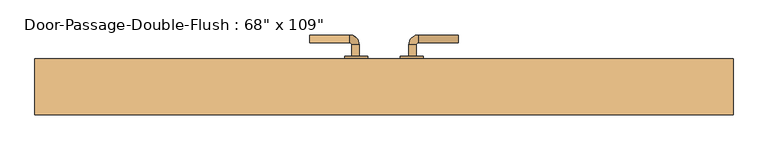
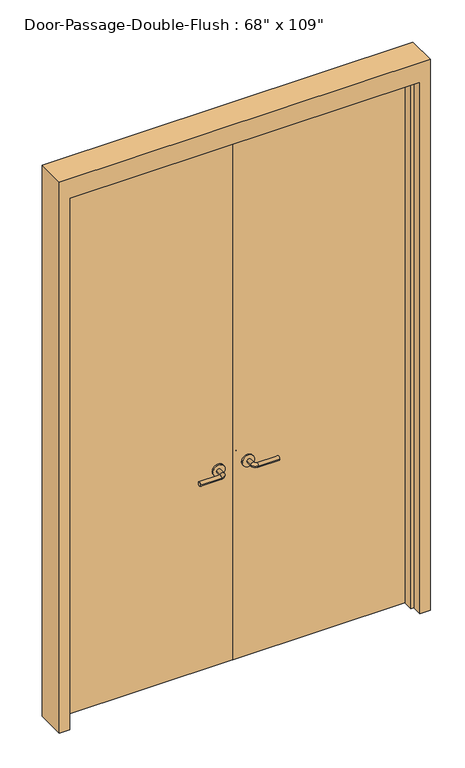
"""IFC4 building model written with IfcOpenShell, lengths in millimetres: door geometry."""

from ifc_helpers import new_model, si_unit, point, frame, frame_2d, origin, origin_with_axes, place, context, project, spatial, polyline, circle_curve, ellipse_curve, trimmed, segment, composite_curve, outline, extrude, faceted_brep, source, transform, mapped, element, save
from ifc_brep_helpers import plane_surface, cylinder_surface, revolved_surface, advanced_brep


def door_41b5bb17(model_context):
    return source(origin(), model_context, "Body", "SolidModel", [
        advanced_brep(
        [(-65.009375, 23.75, 1016.0), (-85.009375, 23.75, 1016.0), (-65.009375, -6.25, 1016.0), (-85.009375, -6.25, 1016.0), (-90.009375, -11.25, 1016.0), (-90.009375, -31.25, 1016.0), (-195.009375, -31.25, 1016.0), (-195.009375, -11.25, 1016.0)],
        [
            (0, 1, circle_curve(frame((-75.009375, 23.75, 1016.0), z_axis=(0.0, 1.0, 0.0), x_axis=(-1.0, 0.0, 0.0)), 10.0)),
            (1, 0, circle_curve(frame((-75.009375, 23.75, 1016.0), z_axis=(0.0, 1.0, 0.0), x_axis=(-1.0, 0.0, 0.0)), 10.0)),
            (0, 2),
            (2, 3, circle_curve(frame((-75.009375, -6.25, 1016.0), z_axis=(0.0, 1.0, 0.0), x_axis=(-1.0, 0.0, 0.0)), 10.0)),
            (3, 1),
            (3, 2, circle_curve(frame((-75.009375, -6.25, 1016.0), z_axis=(0.0, 1.0, 0.0), x_axis=(-1.0, 0.0, 0.0)), 10.0)),
            (4, 3, circle_curve(frame((-90.009375, -6.25, 1016.0), z_axis=(0.0, 0.0, 1.0), x_axis=(1.0, 0.0, 0.0)), 5.0)),
            (2, 5, circle_curve(frame((-90.009375, -6.25, 1016.0), z_axis=(0.0, 0.0, -1.0), x_axis=(1.0, 0.0, 0.0)), 25.0)),
            (5, 4, circle_curve(frame((-90.009375, -21.25, 1016.0), z_axis=(1.0, 0.0, 0.0), x_axis=(0.0, 1.0, 0.0)), 10.0)),
            (4, 5, circle_curve(frame((-90.009375, -21.25, 1016.0), z_axis=(1.0, 0.0, 0.0), x_axis=(0.0, 1.0, 0.0)), 10.0)),
            (6, 7, circle_curve(frame((-195.009375, -21.25, 1016.0), z_axis=(-1.0, 0.0, 0.0), x_axis=(0.0, 1.0, 0.0)), 10.0)),
            (7, 6, circle_curve(frame((-195.009375, -21.25, 1016.0), z_axis=(-1.0, 0.0, 0.0), x_axis=(0.0, 1.0, 0.0)), 10.0)),
            (5, 6),
            (7, 4),
        ],
        [
            plane_surface(frame((-75.009375, 23.75, 1016.0), z_axis=(0.0, 1.0, 0.0), x_axis=(0.0, 0.0, 1.0))),
            cylinder_surface(frame((-75.009375, 23.75, 1016.0), z_axis=(0.0, 1.0, 0.0), x_axis=(-1.0, 0.0, 0.0)), 10.0),
            revolved_surface(trimmed(ellipse_curve(frame((-75.009375, -6.25, 1016.0), z_axis=(0.0, 1.0, 0.0), x_axis=(-1.0, 0.0, 0.0)), 10.0, 10.0), [point((-65.009375, -6.25, 1016.0))], [point((-85.009375, -6.25, 1016.0))], True, "CARTESIAN"), (-90.009375, -6.25, 1016.0), (0.0, 0.0, -1.0)),
            revolved_surface(trimmed(ellipse_curve(frame((-75.009375, -6.25, 1016.0), z_axis=(0.0, 1.0, 0.0), x_axis=(-1.0, 0.0, 0.0)), 10.0, 10.0), [point((-85.009375, -6.25, 1016.0))], [point((-65.009375, -6.25, 1016.0))], True, "CARTESIAN"), (-90.009375, -6.25, 1016.0), (0.0, 0.0, -1.0)),
            plane_surface(frame((-195.009375, -21.25, 1016.0), z_axis=(-1.0, 0.0, 0.0), x_axis=(0.0, 0.0, 1.0))),
            cylinder_surface(frame((-90.009375, -21.25, 1016.0), z_axis=(1.0, 0.0, 0.0), x_axis=(0.0, 1.0, 0.0)), 10.0),
        ],
        [
            (0, [[1, 2]]),
            (1, [[-1, 3, 4, 5]]),
            (1, [[-2, -5, 6, -3]]),
            (2, [[7, -4, 8, 9]]),
            (3, [[-8, -6, -7, 10]]),
            (4, [[11, 12]]),
            (5, [[-9, 13, -12, 14]]),
            (5, [[-10, -14, -11, -13]]),
        ],
    ),
        extrude(outline(composite_curve([segment(trimmed(circle_curve(frame_2d((1016.0, -72.509375)), 30.0), [point((1016.0, -42.509375))], [point((1016.0, -102.509375))], False, "CARTESIAN"), True, "CONTINUOUS"), segment(trimmed(circle_curve(frame_2d((1016.0, -72.509375)), 30.0), [point((1016.0, -102.509375))], [point((1016.0, -42.509375))], False, "CARTESIAN"), True, "CONTINUOUS")], self_intersect=False)), frame((0.0, 23.75, 0.0), z_axis=(0.0, 1.0, 0.0), x_axis=(0.0, 0.0, 1.0)), (0.0, 0.0, 1.0), 8.0),
        advanced_brep(
        [(-65.009375, 84.2, 1016.0), (-85.009375, 84.2, 1016.0), (-85.009375, 114.2, 1016.0), (-65.009375, 114.2, 1016.0), (-90.009375, 119.2, 1016.0), (-90.009375, 139.2, 1016.0), (-195.009375, 139.2, 1016.0), (-195.009375, 119.2, 1016.0)],
        [
            (0, 1, circle_curve(frame((-75.009375, 84.2, 1016.0), z_axis=(0.0, -1.0, 0.0), x_axis=(-1.0, 0.0, 0.0)), 10.0)),
            (1, 0, circle_curve(frame((-75.009375, 84.2, 1016.0), z_axis=(0.0, -1.0, 0.0), x_axis=(-1.0, 0.0, 0.0)), 10.0)),
            (1, 2),
            (2, 3, circle_curve(frame((-75.009375, 114.2, 1016.0), z_axis=(0.0, -1.0, 0.0), x_axis=(-1.0, 0.0, 0.0)), 10.0)),
            (3, 0),
            (3, 2, circle_curve(frame((-75.009375, 114.2, 1016.0), z_axis=(0.0, -1.0, 0.0), x_axis=(-1.0, 0.0, 0.0)), 10.0)),
            (4, 5, circle_curve(frame((-90.009375, 129.2, 1016.0), z_axis=(1.0, 0.0, 0.0), x_axis=(0.0, -1.0, 0.0)), 10.0)),
            (5, 3, circle_curve(frame((-90.009375, 114.2, 1016.0), z_axis=(0.0, 0.0, -1.0), x_axis=(1.0, 0.0, 0.0)), 25.0)),
            (2, 4, circle_curve(frame((-90.009375, 114.2, 1016.0), z_axis=(0.0, 0.0, 1.0), x_axis=(1.0, 0.0, 0.0)), 5.0)),
            (5, 4, circle_curve(frame((-90.009375, 129.2, 1016.0), z_axis=(1.0, 0.0, 0.0), x_axis=(0.0, -1.0, 0.0)), 10.0)),
            (6, 7, circle_curve(frame((-195.009375, 129.2, 1016.0), z_axis=(-1.0, 0.0, 0.0), x_axis=(0.0, -1.0, 0.0)), 10.0)),
            (7, 6, circle_curve(frame((-195.009375, 129.2, 1016.0), z_axis=(-1.0, 0.0, 0.0), x_axis=(0.0, -1.0, 0.0)), 10.0)),
            (4, 7),
            (6, 5),
        ],
        [
            plane_surface(frame((-75.009375, 84.2, 1016.0), z_axis=(0.0, -1.0, 0.0), x_axis=(0.0, 0.0, 1.0))),
            cylinder_surface(frame((-75.009375, 84.2, 1016.0), z_axis=(0.0, -1.0, 0.0), x_axis=(-1.0, 0.0, 0.0)), 10.0),
            revolved_surface(trimmed(ellipse_curve(frame((-75.009375, 114.2, 1016.0), z_axis=(0.0, 1.0, 0.0), x_axis=(-1.0, 0.0, 0.0)), 10.0, 10.0), [point((-65.009375, 114.2, 1016.0))], [point((-85.009375, 114.2, 1016.0))], True, "CARTESIAN"), (-90.009375, 114.2, 1016.0), (0.0, 0.0, -1.0)),
            revolved_surface(trimmed(ellipse_curve(frame((-75.009375, 114.2, 1016.0), z_axis=(0.0, 1.0, 0.0), x_axis=(-1.0, 0.0, 0.0)), 10.0, 10.0), [point((-85.009375, 114.2, 1016.0))], [point((-65.009375, 114.2, 1016.0))], True, "CARTESIAN"), (-90.009375, 114.2, 1016.0), (0.0, 0.0, -1.0)),
            plane_surface(frame((-195.009375, 129.2, 1016.0), z_axis=(-1.0, 0.0, 0.0), x_axis=(0.0, 0.0, 1.0))),
            cylinder_surface(frame((-90.009375, 129.2, 1016.0), z_axis=(1.0, 0.0, 0.0), x_axis=(0.0, -1.0, 0.0)), 10.0),
        ],
        [
            (0, [[1, 2]]),
            (1, [[3, 4, 5, -2]]),
            (1, [[-5, 6, -3, -1]]),
            (2, [[7, 8, -4, 9]]),
            (3, [[10, -9, -6, -8]]),
            (4, [[11, 12]]),
            (5, [[13, -11, 14, -7]]),
            (5, [[-14, -12, -13, -10]]),
        ],
    ),
        extrude(outline(composite_curve([segment(trimmed(circle_curve(frame_2d((1016.0, -72.509375)), 30.0), [point((1016.0, -42.509375))], [point((1016.0, -102.509375))], False, "CARTESIAN"), True, "CONTINUOUS"), segment(trimmed(circle_curve(frame_2d((1016.0, -72.509375)), 30.0), [point((1016.0, -102.509375))], [point((1016.0, -42.509375))], False, "CARTESIAN"), True, "CONTINUOUS")], self_intersect=False)), frame((0.0, 76.2, 0.0), z_axis=(0.0, 1.0, 0.0), x_axis=(0.0, 0.0, 1.0)), (0.0, 0.0, 1.0), 8.0),
        advanced_brep(
        [(65.009375, 23.75, 1016.0), (85.009375, 23.75, 1016.0), (85.009375, -6.25, 1016.0), (65.009375, -6.25, 1016.0), (90.009375, -11.25, 1016.0), (90.009375, -31.25, 1016.0), (195.009375, -31.25, 1016.0), (195.009375, -11.25, 1016.0)],
        [
            (0, 1, circle_curve(frame((75.009375, 23.75, 1016.0), z_axis=(0.0, 1.0, 0.0), x_axis=(1.0, 0.0, 0.0)), 10.0)),
            (1, 0, circle_curve(frame((75.009375, 23.75, 1016.0), z_axis=(0.0, 1.0, 0.0), x_axis=(1.0, 0.0, 0.0)), 10.0)),
            (1, 2),
            (2, 3, circle_curve(frame((75.009375, -6.25, 1016.0), z_axis=(0.0, 1.0, 0.0), x_axis=(1.0, 0.0, 0.0)), 10.0)),
            (3, 0),
            (3, 2, circle_curve(frame((75.009375, -6.25, 1016.0), z_axis=(0.0, 1.0, 0.0), x_axis=(1.0, 0.0, 0.0)), 10.0)),
            (4, 5, circle_curve(frame((90.009375, -21.25, 1016.0), z_axis=(-1.0, 0.0, 0.0), x_axis=(0.0, 1.0, 0.0)), 10.0)),
            (5, 3, circle_curve(frame((90.009375, -6.25, 1016.0), z_axis=(0.0, 0.0, -1.0), x_axis=(-1.0, 0.0, 0.0)), 25.0)),
            (2, 4, circle_curve(frame((90.009375, -6.25, 1016.0), z_axis=(0.0, 0.0, 1.0), x_axis=(-1.0, 0.0, 0.0)), 5.0)),
            (5, 4, circle_curve(frame((90.009375, -21.25, 1016.0), z_axis=(-1.0, 0.0, 0.0), x_axis=(0.0, 1.0, 0.0)), 10.0)),
            (6, 7, circle_curve(frame((195.009375, -21.25, 1016.0), z_axis=(1.0, 0.0, 0.0), x_axis=(0.0, 1.0, 0.0)), 10.0)),
            (7, 6, circle_curve(frame((195.009375, -21.25, 1016.0), z_axis=(1.0, 0.0, 0.0), x_axis=(0.0, 1.0, 0.0)), 10.0)),
            (4, 7),
            (6, 5),
        ],
        [
            plane_surface(frame((75.009375, 23.75, 1016.0), z_axis=(0.0, 1.0, 0.0), x_axis=(0.0, 0.0, 1.0))),
            cylinder_surface(frame((75.009375, 23.75, 1016.0), z_axis=(0.0, 1.0, 0.0), x_axis=(1.0, 0.0, 0.0)), 10.0),
            revolved_surface(trimmed(ellipse_curve(frame((75.009375, -6.25, 1016.0), z_axis=(0.0, -1.0, 0.0), x_axis=(1.0, 0.0, 0.0)), 10.0, 10.0), [point((65.009375, -6.25, 1016.0))], [point((85.009375, -6.25, 1016.0))], True, "CARTESIAN"), (90.009375, -6.25, 1016.0), (0.0, 0.0, -1.0)),
            revolved_surface(trimmed(ellipse_curve(frame((75.009375, -6.25, 1016.0), z_axis=(0.0, -1.0, 0.0), x_axis=(1.0, 0.0, 0.0)), 10.0, 10.0), [point((85.009375, -6.25, 1016.0))], [point((65.009375, -6.25, 1016.0))], True, "CARTESIAN"), (90.009375, -6.25, 1016.0), (0.0, 0.0, -1.0)),
            plane_surface(frame((195.009375, -21.25, 1016.0), z_axis=(1.0, 0.0, 0.0), x_axis=(0.0, 0.0, 1.0))),
            cylinder_surface(frame((90.009375, -21.25, 1016.0), z_axis=(-1.0, 0.0, 0.0), x_axis=(0.0, 1.0, 0.0)), 10.0),
        ],
        [
            (0, [[1, 2]]),
            (1, [[3, 4, 5, -2]]),
            (1, [[-5, 6, -3, -1]]),
            (2, [[7, 8, -4, 9]]),
            (3, [[10, -9, -6, -8]]),
            (4, [[11, 12]]),
            (5, [[13, -11, 14, -7]]),
            (5, [[-14, -12, -13, -10]]),
        ],
    ),
        extrude(outline(composite_curve([segment(trimmed(circle_curve(frame_2d((1016.0, 72.509375)), 30.0), [point((1016.0, 42.509375))], [point((1016.0, 102.509375))], False, "CARTESIAN"), True, "CONTINUOUS"), segment(trimmed(circle_curve(frame_2d((1016.0, 72.509375)), 30.0), [point((1016.0, 102.509375))], [point((1016.0, 42.509375))], False, "CARTESIAN"), True, "CONTINUOUS")], self_intersect=False)), frame((0.0, 23.75, 0.0), z_axis=(0.0, 1.0, 0.0), x_axis=(0.0, 0.0, 1.0)), (0.0, 0.0, 1.0), 8.0),
        advanced_brep(
        [(65.009375, 84.2, 1016.0), (85.009375, 84.2, 1016.0), (65.009375, 114.2, 1016.0), (85.009375, 114.2, 1016.0), (90.009375, 119.2, 1016.0), (90.009375, 139.2, 1016.0), (195.009375, 139.2, 1016.0), (195.009375, 119.2, 1016.0)],
        [
            (0, 1, circle_curve(frame((75.009375, 84.2, 1016.0), z_axis=(0.0, -1.0, 0.0), x_axis=(1.0, 0.0, 0.0)), 10.0)),
            (1, 0, circle_curve(frame((75.009375, 84.2, 1016.0), z_axis=(0.0, -1.0, 0.0), x_axis=(1.0, 0.0, 0.0)), 10.0)),
            (0, 2),
            (2, 3, circle_curve(frame((75.009375, 114.2, 1016.0), z_axis=(0.0, -1.0, 0.0), x_axis=(1.0, 0.0, 0.0)), 10.0)),
            (3, 1),
            (3, 2, circle_curve(frame((75.009375, 114.2, 1016.0), z_axis=(0.0, -1.0, 0.0), x_axis=(1.0, 0.0, 0.0)), 10.0)),
            (4, 3, circle_curve(frame((90.009375, 114.2, 1016.0), z_axis=(0.0, 0.0, 1.0), x_axis=(-1.0, 0.0, 0.0)), 5.0)),
            (2, 5, circle_curve(frame((90.009375, 114.2, 1016.0), z_axis=(0.0, 0.0, -1.0), x_axis=(-1.0, 0.0, 0.0)), 25.0)),
            (5, 4, circle_curve(frame((90.009375, 129.2, 1016.0), z_axis=(-1.0, 0.0, 0.0), x_axis=(0.0, -1.0, 0.0)), 10.0)),
            (4, 5, circle_curve(frame((90.009375, 129.2, 1016.0), z_axis=(-1.0, 0.0, 0.0), x_axis=(0.0, -1.0, 0.0)), 10.0)),
            (6, 7, circle_curve(frame((195.009375, 129.2, 1016.0), z_axis=(1.0, 0.0, 0.0), x_axis=(0.0, -1.0, 0.0)), 10.0)),
            (7, 6, circle_curve(frame((195.009375, 129.2, 1016.0), z_axis=(1.0, 0.0, 0.0), x_axis=(0.0, -1.0, 0.0)), 10.0)),
            (5, 6),
            (7, 4),
        ],
        [
            plane_surface(frame((75.009375, 84.2, 1016.0), z_axis=(0.0, -1.0, 0.0), x_axis=(0.0, 0.0, 1.0))),
            cylinder_surface(frame((75.009375, 84.2, 1016.0), z_axis=(0.0, -1.0, 0.0), x_axis=(1.0, 0.0, 0.0)), 10.0),
            revolved_surface(trimmed(ellipse_curve(frame((75.009375, 114.2, 1016.0), z_axis=(0.0, -1.0, 0.0), x_axis=(1.0, 0.0, 0.0)), 10.0, 10.0), [point((65.009375, 114.2, 1016.0))], [point((85.009375, 114.2, 1016.0))], True, "CARTESIAN"), (90.009375, 114.2, 1016.0), (0.0, 0.0, -1.0)),
            revolved_surface(trimmed(ellipse_curve(frame((75.009375, 114.2, 1016.0), z_axis=(0.0, -1.0, 0.0), x_axis=(1.0, 0.0, 0.0)), 10.0, 10.0), [point((85.009375, 114.2, 1016.0))], [point((65.009375, 114.2, 1016.0))], True, "CARTESIAN"), (90.009375, 114.2, 1016.0), (0.0, 0.0, -1.0)),
            plane_surface(frame((195.009375, 129.2, 1016.0), z_axis=(1.0, 0.0, 0.0), x_axis=(0.0, 0.0, 1.0))),
            cylinder_surface(frame((90.009375, 129.2, 1016.0), z_axis=(-1.0, 0.0, 0.0), x_axis=(0.0, -1.0, 0.0)), 10.0),
        ],
        [
            (0, [[1, 2]]),
            (1, [[-1, 3, 4, 5]]),
            (1, [[-2, -5, 6, -3]]),
            (2, [[7, -4, 8, 9]]),
            (3, [[-8, -6, -7, 10]]),
            (4, [[11, 12]]),
            (5, [[-9, 13, -12, 14]]),
            (5, [[-10, -14, -11, -13]]),
        ],
    ),
        extrude(outline(composite_curve([segment(trimmed(circle_curve(frame_2d((1016.0, 72.509375)), 30.0), [point((1016.0, 42.509375))], [point((1016.0, 102.509375))], False, "CARTESIAN"), True, "CONTINUOUS"), segment(trimmed(circle_curve(frame_2d((1016.0, 72.509375)), 30.0), [point((1016.0, 102.509375))], [point((1016.0, 42.509375))], False, "CARTESIAN"), True, "CONTINUOUS")], self_intersect=False)), frame((0.0, 76.2, 0.0), z_axis=(0.0, 1.0, 0.0), x_axis=(0.0, 0.0, 1.0)), (0.0, 0.0, 1.0), 8.0),
        faceted_brep([(863.6, 26.9875, 0.0), (863.6, 76.2, 0.0), (914.4, 76.2, 0.0), (914.4, -69.85, 0.0), (863.6, -69.85, 0.0), (863.6, -20.6375, 0.0), (847.725, -20.6375, 0.0), (847.725, 26.9875, 0.0), (863.6, 26.9875, 2768.6), (863.6, 76.2, 2768.6), (-863.6, 76.2, 2768.6), (-863.6, 76.2, 0.0), (-914.4, 76.2, 0.0), (-914.4, 76.2, 2870.2), (914.4, 76.2, 2870.2), (914.4, -69.85, 2870.2), (-914.4, -69.85, 2870.2), (-914.4, -69.85, 0.0), (-863.6, -69.85, 0.0), (-863.6, -69.85, 2768.6), (863.6, -69.85, 2768.6), (863.6, -20.6375, 2768.6), (-863.6, -20.6375, 2768.6), (-863.6, -20.6375, 0.0), (-847.725, -20.6375, 0.0), (-847.725, -20.6375, 2752.725), (847.725, -20.6375, 2752.725), (847.725, 26.9875, 2752.725), (-847.725, 26.9875, 2752.725), (-847.725, 26.9875, 0.0), (-863.6, 26.9875, 0.0), (-863.6, 26.9875, 2768.6)], [[[0, 1, 2, 3, 4, 5, 6, 7]], [[1, 0, 8, 9]], [[2, 1, 9, 10, 11, 12, 13, 14]], [[3, 2, 14, 15]], [[4, 3, 15, 16, 17, 18, 19, 20]], [[5, 4, 20, 21]], [[6, 5, 21, 22, 23, 24, 25, 26]], [[7, 6, 26, 27]], [[0, 7, 27, 28, 29, 30, 31, 8]], [[9, 8, 31, 10]], [[20, 19, 22, 21]], [[26, 25, 28, 27]], [[12, 11, 30, 29, 24, 23, 18, 17]], [[11, 10, 31, 30]], [[13, 12, 17, 16]], [[19, 18, 23, 22]], [[25, 24, 29, 28]], [[15, 14, 13, 16]]]),
        extrude(outline(polyline([(863.6, 31.75), (1.5875, 31.75), (1.5875, 76.2), (863.6, 76.2), (863.6, 31.75)])), origin_with_axes(), (0.0, 0.0, 1.0), 2768.6),
        extrude(outline(polyline([(-1.5875, 31.75), (-863.6, 31.75), (-863.6, 76.2), (-1.5875, 76.2), (-1.5875, 31.75)])), origin_with_axes(), (0.0, 0.0, 1.0), 2768.6),
    ])


if __name__ == "__main__":
    model = new_model("IFC4")
    model_context = context("Model", 3, world=origin())
    ifc_project = project(units=[si_unit("LENGTHUNIT", "METRE", prefix="MILLI")], contexts=[model_context])
    site = spatial("IfcSite", under=ifc_project)
    building = spatial("IfcBuilding", under=site)
    placement = place(None, origin())
    door_shape = door_41b5bb17(model_context)
    element("IfcDoor", 1, ObjectType="Door-Passage-Double-Flush : 68\" x 109\"", at=placement, inside=building, context=model_context, shape_type="MappedRepresentation", body=[
        mapped(door_shape, transform((0.0, 0.0, 0.0), x_axis=(1.0, 0.0, 0.0), y_axis=(0.0, 1.0, 0.0), z_axis=(0.0, 0.0, 1.0))),
    ])
    save(model, "model.ifc")
